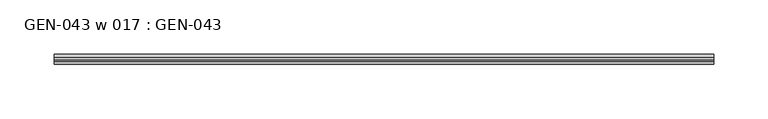
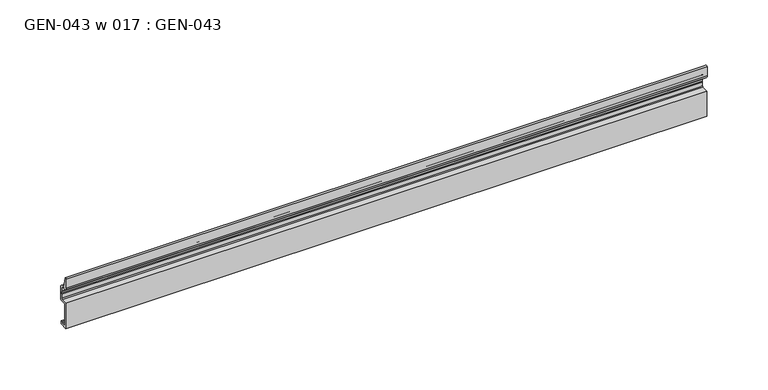
"""IFC4 building model written with IfcOpenShell, lengths in millimetres: proxy geometry, GEN-043 w 017 : GEN-043."""

from ifc_helpers import new_model, si_unit, point, frame, frame_2d, origin, place, context, project, spatial, polyline, circle_curve, trimmed, segment, composite_curve, outline, extrude, source, transform, mapped, element, save


def gen_043_w_017_gen_043_abcb0d18(model_context):
    return source(origin(), model_context, "Body", "SweptSolid", [
        extrude(outline(composite_curve([segment(polyline([(-0.6518777, 0.0), (-8.5893777, 0.0), (-8.5893777, 25.4040844), (-2.38252, 25.4040844)]), True, "CONTINUOUS"), segment(trimmed(circle_curve(frame_2d((-2.38252, 26.1991044)), 0.79502), [point((-2.38252, 25.4040844))], [point((-1.5875, 26.1991044))], True, "CARTESIAN"), True, "CONTINUOUS"), segment(polyline([(-1.5875, 26.1991044), (-1.5875, 30.0543816), (-1.0783361, 30.7060817), (-1.0783361, 32.6225838), (-1.5875, 33.2293816), (-1.5875, 36.5166704)]), True, "CONTINUOUS"), segment(trimmed(circle_curve(frame_2d((-3.175, 36.5166704)), 1.5875), [point((-1.5875, 36.5166704))], [point((-3.175, 38.1041704))], True, "CARTESIAN"), True, "CONTINUOUS"), segment(polyline([(-3.175, 38.1041704), (-6.35, 38.1041704)]), True, "CONTINUOUS"), segment(trimmed(circle_curve(frame_2d((-6.35, 41.2791704)), 3.175), [point((-6.35, 38.1041704))], [point((-9.525, 41.2791704))], False, "CARTESIAN"), True, "CONTINUOUS"), segment(polyline([(-9.525, 41.2791704), (-9.525, 50.1889736)]), True, "CONTINUOUS"), segment(trimmed(circle_curve(frame_2d((-8.3323235, 49.0982159)), 1.6162393), [point((-9.525, 50.1889736))], [point((-7.2036308, 50.2550574))], False, "CARTESIAN"), True, "CONTINUOUS"), segment(polyline([(-7.2036308, 50.2550574), (-5.3948316, 39.6916704), (-3.175, 39.6916704)]), True, "CONTINUOUS"), segment(trimmed(circle_curve(frame_2d((-3.175, 36.5166704)), 3.175), [point((-3.175, 39.6916704))], [point((0.0, 36.5166704))], False, "CARTESIAN"), True, "CONTINUOUS"), segment(polyline([(0.0, 36.5166704), (0.0, 25.4040844)]), True, "CONTINUOUS"), segment(trimmed(circle_curve(frame_2d((-1.5875, 25.4040844)), 1.5875), [point((0.0, 25.4040844))], [point((-1.5875, 23.8165844))], False, "CARTESIAN"), True, "CONTINUOUS"), segment(polyline([(-1.5875, 23.8165844), (-7.0018777, 23.8165844), (-7.0018777, 1.5875), (-2.2393777, 1.5875), (-2.2393777, 3.175), (-0.6518777, 3.175), (-0.6518777, 0.0)]), True, "CONTINUOUS")], self_intersect=False)), frame((0.0, 0.0, 0.0), z_axis=(1.0, 0.0, 0.0), x_axis=(0.0, 1.0, 0.0)), (0.0, 0.0, 1.0), 609.6),
    ])


if __name__ == "__main__":
    model = new_model("IFC4")
    model_context = context("Model", 3, world=origin())
    ifc_project = project(units=[si_unit("LENGTHUNIT", "METRE", prefix="MILLI")], contexts=[model_context])
    site = spatial("IfcSite", under=ifc_project)
    building = spatial("IfcBuilding", under=site)
    placement = place(None, origin())
    gen_043_w_017_gen_043_shape = gen_043_w_017_gen_043_abcb0d18(model_context)
    element("IfcBuildingElementProxy", 1, Name="GEN-043 w 017 : GEN-043", ObjectType="GEN-043 w 017 : GEN-043", at=placement, inside=building, context=model_context, shape_type="MappedRepresentation", body=[
        mapped(gen_043_w_017_gen_043_shape, transform((0.0, 0.0, 0.0), x_axis=(1.0, 0.0, 0.0), y_axis=(0.0, 1.0, 0.0), z_axis=(0.0, 0.0, 1.0))),
    ])
    save(model, "model.ifc")
